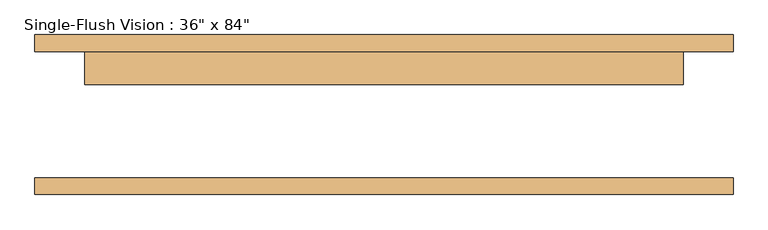
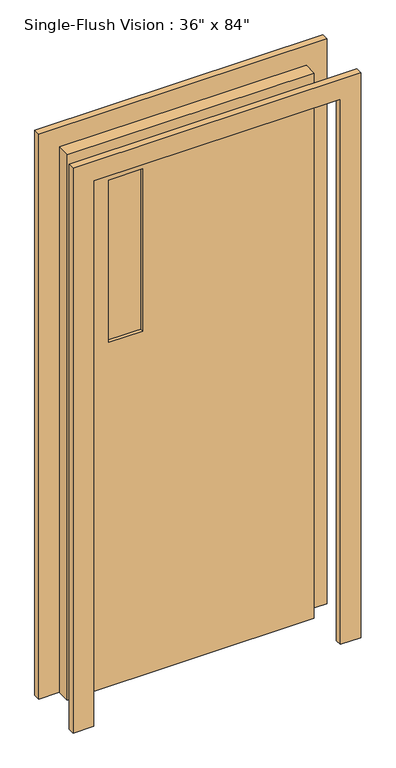
"""IFC4 building model written with IfcOpenShell, lengths in millimetres: door geometry."""

from ifc_helpers import new_model, si_unit, frame, origin, place, context, project, spatial, polyline, outline, extrude, source, transform, mapped, element, save


def door_2d826b17(model_context):
    return source(origin(), model_context, "Body", "SweptSolid", [
        extrude(outline(polyline([(2209.8, -533.4), (0.0, -533.4), (0.0, -457.2), (2133.6, -457.2), (2133.6, 457.2), (0.0, 457.2), (0.0, 533.4), (2209.8, 533.4), (2209.8, -533.4)])), frame((0.0, 96.8375, 0.0), z_axis=(0.0, 1.0, 0.0), x_axis=(0.0, 0.0, 1.0)), (0.0, 0.0, 1.0), 25.4),
        extrude(outline(polyline([(2133.6, 457.2), (0.0, 457.2), (0.0, 533.4), (2209.8, 533.4), (2209.8, -533.4), (0.0, -533.4), (0.0, -457.2), (2133.6, -457.2), (2133.6, 457.2)])), frame((0.0, -122.2375, 0.0), z_axis=(0.0, 1.0, 0.0), x_axis=(0.0, 0.0, 1.0)), (0.0, 0.0, 1.0), 25.4),
        extrude(outline(polyline([(-177.8, 58.7375), (-304.8, 58.7375), (-304.8, 65.0875), (-177.8, 65.0875), (-177.8, 58.7375)])), frame((0.0, 0.0, 1346.2), z_axis=(0.0, 0.0, 1.0), x_axis=(1.0, 0.0, 0.0)), (0.0, 0.0, 1.0), 635.0),
        extrude(outline(polyline([(-177.8, 77.7875), (-304.8, 77.7875), (-304.8, 84.1375), (-177.8, 84.1375), (-177.8, 77.7875)])), frame((0.0, 0.0, 1346.2), z_axis=(0.0, 0.0, 1.0), x_axis=(1.0, 0.0, 0.0)), (0.0, 0.0, 1.0), 635.0),
        extrude(outline(polyline([(2133.6, -457.2), (0.0, -457.2), (0.0, 457.2), (2133.6, 457.2), (2133.6, -457.2)]), holes=[polyline([(1981.2, -304.8), (1981.2, -177.8), (1346.2, -177.8), (1346.2, -304.8), (1981.2, -304.8)])]), frame((0.0, 46.0375, 0.0), z_axis=(0.0, 1.0, 0.0), x_axis=(0.0, 0.0, 1.0)), (0.0, 0.0, 1.0), 50.8),
    ])


if __name__ == "__main__":
    model = new_model("IFC4")
    model_context = context("Model", 3, world=origin())
    ifc_project = project(units=[si_unit("LENGTHUNIT", "METRE", prefix="MILLI")], contexts=[model_context])
    site = spatial("IfcSite", under=ifc_project)
    building = spatial("IfcBuilding", under=site)
    placement = place(None, origin())
    door_shape = door_2d826b17(model_context)
    element("IfcDoor", 1, ObjectType="Single-Flush Vision : 36\" x 84\"", at=placement, inside=building, context=model_context, shape_type="MappedRepresentation", body=[
        mapped(door_shape, transform((0.0, 0.0, 0.0), x_axis=(1.0, 0.0, 0.0), y_axis=(0.0, 1.0, 0.0), z_axis=(0.0, 0.0, 1.0))),
    ])
    save(model, "model.ifc")
